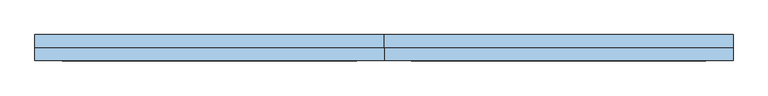
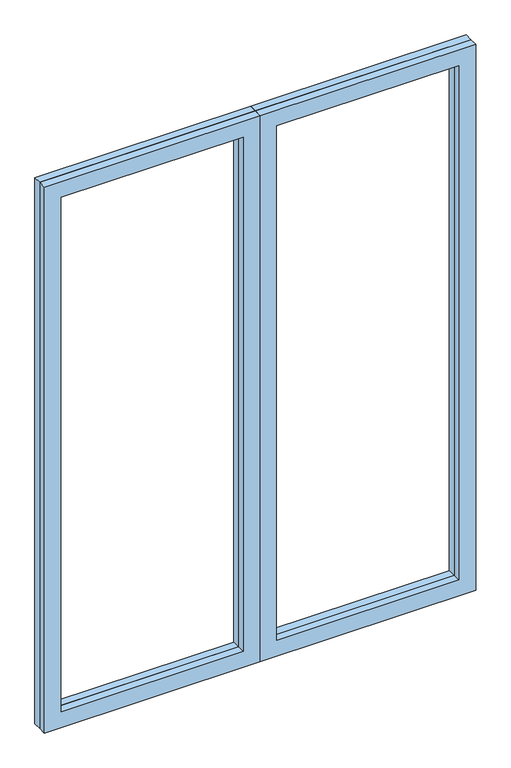
"""IFC4 building model written with IfcOpenShell, lengths in millimetres: window geometry."""

from ifc_helpers import new_model, si_unit, frame, origin, place, context, project, spatial, polyline, outline, extrude, source, transform, mapped, element, save


def window_2692c115(model_context):
    return source(origin(), model_context, "Body", "SweptSolid", [
        extrude(outline(polyline([(2399.5, 0.0), (0.0, 0.0), (0.0, 896.5), (2399.5, 896.5), (2399.5, 0.0)]), holes=[polyline([(2329.5, 70.0), (2329.5, 826.5), (70.0, 826.5), (70.0, 70.0), (2329.5, 70.0)])]), frame((0.0, 58.5, 0.0), z_axis=(0.0, 1.0, 0.0), x_axis=(0.0, 0.0, 1.0)), (0.0, 0.0, 1.0), 33.5),
        extrude(outline(polyline([(2399.5, -896.5), (0.0, -896.5), (0.0, 0.0), (2399.5, 0.0), (2399.5, -896.5)]), holes=[polyline([(2329.5, -826.5), (2329.5, -70.0), (70.0, -70.0), (70.0, -826.5), (2329.5, -826.5)])]), frame((0.0, 58.5, 0.0), z_axis=(0.0, 1.0, 0.0), x_axis=(0.0, 0.0, 1.0)), (0.0, 0.0, 1.0), 33.5),
        extrude(outline(polyline([(2399.5, -896.5), (0.0, -896.5), (0.0, 0.0), (2399.5, 0.0), (2399.5, -896.5)]), holes=[polyline([(2329.5, -826.5), (2329.5, -70.0), (70.0, -70.0), (70.0, -826.5), (2329.5, -826.5)])]), frame((0.0, 25.0, 0.0), z_axis=(0.0, 1.0, 0.0), x_axis=(0.0, 0.0, 1.0)), (0.0, 0.0, 1.0), 33.5),
        extrude(outline(polyline([(2399.5, 0.0), (0.0, 0.0), (0.0, 896.5), (2399.5, 896.5), (2399.5, 0.0)]), holes=[polyline([(2329.5, 70.0), (2329.5, 826.5), (70.0, 826.5), (70.0, 70.0), (2329.5, 70.0)])]), frame((0.0, 25.0, 0.0), z_axis=(0.0, 1.0, 0.0), x_axis=(0.0, 0.0, 1.0)), (0.0, 0.0, 1.0), 33.5),
    ])


if __name__ == "__main__":
    model = new_model("IFC4")
    model_context = context("Model", 3, world=origin())
    ifc_project = project(units=[si_unit("LENGTHUNIT", "METRE", prefix="MILLI")], contexts=[model_context])
    site = spatial("IfcSite", under=ifc_project)
    building = spatial("IfcBuilding", under=site)
    placement = place(None, origin())
    window_shape = window_2692c115(model_context)
    element("IfcWindow", 1, at=placement, inside=building, context=model_context, shape_type="MappedRepresentation", body=[
        mapped(window_shape, transform((0.0, 0.0, 0.0), x_axis=(1.0, 0.0, 0.0), y_axis=(0.0, 1.0, 0.0), z_axis=(0.0, 0.0, 1.0))),
    ])
    save(model, "model.ifc")
